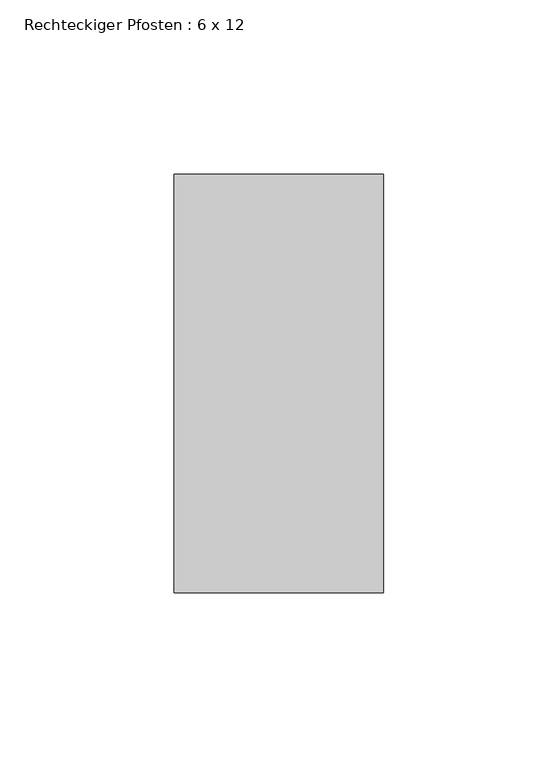
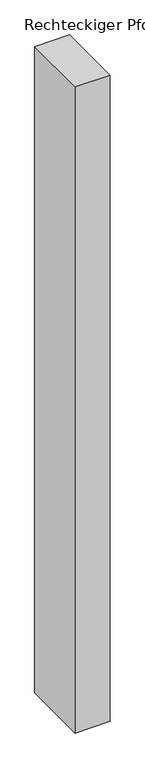
"""IFC4 building model written with IfcOpenShell, lengths in millimetres: member geometry, Rechteckiger Pfosten : 6 x 12."""

from ifc_helpers import new_model, si_unit, frame, origin, place, context, project, spatial, polyline, outline, extrude, source, transform, mapped, element, save


def rechteckiger_pfosten_6_x_12_c9732766(model_context):
    return source(origin(), model_context, "Body", "SweptSolid", [
        extrude(outline(polyline([(30.0, 60.0), (30.0, -60.0), (-30.0, -60.0), (-30.0, 60.0), (30.0, 60.0)])), frame((0.0, 0.0, -1170.625), z_axis=(0.0, 0.0, 1.0), x_axis=(1.0, 0.0, 0.0)), (0.0, 0.0, 1.0), 1170.625),
    ])


if __name__ == "__main__":
    model = new_model("IFC4")
    model_context = context("Model", 3, world=origin())
    ifc_project = project(units=[si_unit("LENGTHUNIT", "METRE", prefix="MILLI")], contexts=[model_context])
    site = spatial("IfcSite", under=ifc_project)
    building = spatial("IfcBuilding", under=site)
    placement = place(None, origin())
    rechteckiger_pfosten_6_x_12_shape = rechteckiger_pfosten_6_x_12_c9732766(model_context)
    element("IfcMember", 1, ObjectType="Rechteckiger Pfosten : 6 x 12", at=placement, inside=building, context=model_context, shape_type="MappedRepresentation", body=[
        mapped(rechteckiger_pfosten_6_x_12_shape, transform((0.0, 0.0, 0.0), x_axis=(1.0, 0.0, 0.0), y_axis=(0.0, 1.0, 0.0), z_axis=(0.0, 0.0, 1.0))),
    ])
    save(model, "model.ifc")
